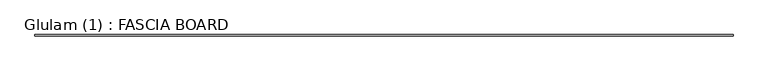
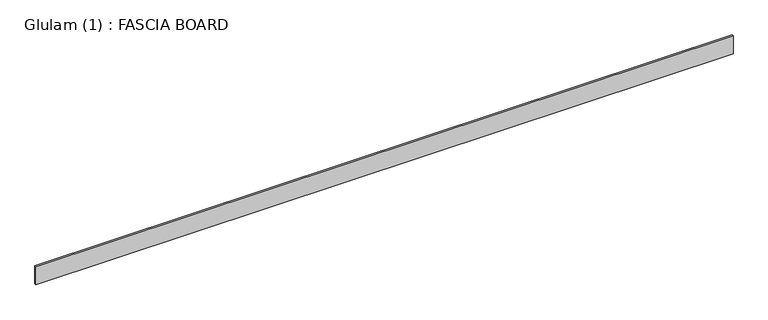
"""IFC4 building model written with IfcOpenShell, lengths in millimetres: beam geometry, Glulam (1) : FASCIA BOARD."""

from ifc_helpers import new_model, si_unit, frame, origin, place, context, project, spatial, polyline, outline, extrude, source, transform, mapped, element, save


def glulam_1_fascia_board_2b5032a8(model_context):
    return source(origin(), model_context, "Body", "SweptSolid", [
        extrude(outline(polyline([(5840.5, 12.5), (5840.5, -12.5), (-5865.5000006, -12.5), (-5865.5000006, 12.5), (5840.5, 12.5)])), frame((0.0, 0.0, -160.8), z_axis=(0.0, 0.0, 1.0), x_axis=(1.0, 0.0, 0.0)), (0.0, 0.0, 1.0), 321.6),
    ])


if __name__ == "__main__":
    model = new_model("IFC4")
    model_context = context("Model", 3, world=origin())
    ifc_project = project(units=[si_unit("LENGTHUNIT", "METRE", prefix="MILLI")], contexts=[model_context])
    site = spatial("IfcSite", under=ifc_project)
    building = spatial("IfcBuilding", under=site)
    placement = place(None, origin())
    glulam_1_fascia_board_shape = glulam_1_fascia_board_2b5032a8(model_context)
    element("IfcBeam", 1, ObjectType="Glulam (1) : FASCIA BOARD", at=placement, inside=building, context=model_context, shape_type="MappedRepresentation", body=[
        mapped(glulam_1_fascia_board_shape, transform((0.0, 0.0, 0.0), x_axis=(1.0, 0.0, 0.0), y_axis=(0.0, 1.0, 0.0), z_axis=(0.0, 0.0, 1.0))),
    ])
    save(model, "model.ifc")
